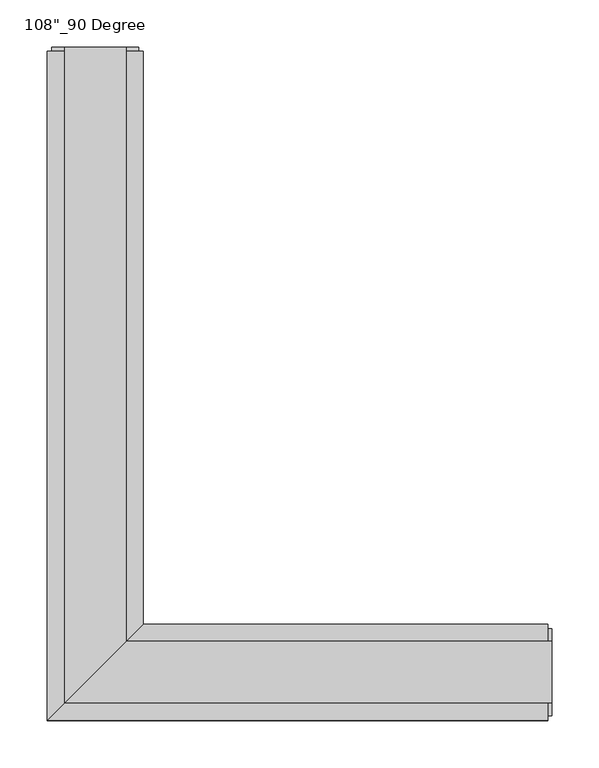
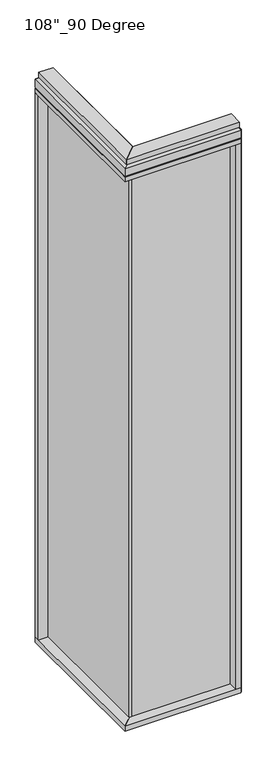
"""IFC4 building model written with IfcOpenShell, lengths in millimetres: furniture geometry."""

from ifc_helpers import new_model, si_unit, frame, origin, origin_with_axes, place, context, project, spatial, polyline, outline, extrude, faceted_brep, source, transform, mapped, element, save


def furniture_b808516e(model_context):
    return source(origin(), model_context, "Body", "SolidModel", [
        extrude(outline(polyline([(-1233.5165229, 629.7202784), (-1223.3565229, 629.7202784), (-1223.3565229, -9.5977216), (-1233.5165229, -9.5977216), (-1233.5165229, 629.7202784)])), frame((0.0, 0.0, 31.75), z_axis=(0.0, 0.0, 1.0), x_axis=(1.0, 0.0, 0.0)), (0.0, 0.0, 1.0), 2622.55),
        extrude(outline(polyline([(-1177.6365229, 651.9452784), (-1177.6365229, 46.2822784), (-1279.2365229, -55.3177216), (-1279.2365229, 651.9452784), (-1177.6365229, 651.9452784)])), frame((0.0, 0.0, 2654.3), z_axis=(0.0, 0.0, 1.0), x_axis=(1.0, 0.0, 0.0)), (0.0, 0.0, 1.0), 22.225),
        faceted_brep([(-1177.6365229, 46.2822784, 2681.478), (-1177.6365229, 46.2822784, 2717.8), (-1279.2365229, -55.3177216, 2717.8), (-1279.2365229, -55.3177216, 2681.478), (-1274.2835229, -50.3647216, 2681.478), (-1274.2835229, -50.3647216, 2676.525), (-1182.5895229, 41.3292784, 2676.525), (-1182.5895229, 41.3292784, 2681.478), (-1177.6365229, 651.9452784, 2681.478), (-1182.5895229, 651.9452784, 2681.478), (-1182.5895229, 651.9452784, 2676.525), (-1274.2835229, 651.9452784, 2676.525), (-1274.2835229, 651.9452784, 2681.478), (-1279.2365229, 651.9452784, 2681.478), (-1279.2365229, 651.9452784, 2717.8), (-1177.6365229, 651.9452784, 2717.8)], [[[0, 1, 2, 3, 4, 5, 6, 7]], [[8, 9, 10, 11, 12, 13, 14, 15]], [[8, 0, 7, 9]], [[13, 3, 2, 14]], [[14, 2, 1, 15]], [[15, 1, 0, 8]], [[9, 7, 6, 10]], [[10, 6, 5, 11]], [[11, 5, 4, 12]], [[12, 4, 3, 13]]]),
        extrude(outline(polyline([(-1195.9245229, 655.8822784), (-1195.9245229, 27.9942784), (-1260.9485229, -37.0297216), (-1260.9485229, 655.8822784), (-1195.9245229, 655.8822784)])), frame((0.0, 0.0, 2717.8), z_axis=(0.0, 0.0, 1.0), x_axis=(1.0, 0.0, 0.0)), (0.0, 0.0, 1.0), 25.4),
        extrude(outline(polyline([(-1177.6365229, 651.9452784), (-1177.6365229, 46.2822784), (-1279.2365229, -55.3177216), (-1279.2365229, 651.9452784), (-1177.6365229, 651.9452784)])), frame((0.0, 0.0, 9.525), z_axis=(0.0, 0.0, 1.0), x_axis=(1.0, 0.0, 0.0)), (0.0, 0.0, 1.0), 22.225),
        extrude(outline(polyline([(-1195.7340229, 655.8822784), (-1195.7340229, 28.1847784), (-1261.1390229, -37.2202216), (-1261.1390229, 655.8822784), (-1195.7340229, 655.8822784)])), origin_with_axes(), (0.0, 0.0, 1.0), 9.525),
        extrude(outline(polyline([(-1279.2365229, 629.7202784), (-1279.2365229, 651.9452784), (-1177.6365229, 651.9452784), (-1177.6365229, 629.7202784), (-1279.2365229, 629.7202784)])), frame((0.0, 0.0, 31.75), z_axis=(0.0, 0.0, 1.0), x_axis=(1.0, 0.0, 0.0)), (0.0, 0.0, 1.0), 2622.55),
        extrude(outline(polyline([(-1274.2835229, 655.8822784), (-1182.5895229, 655.8822784), (-1182.5895229, 651.9452784), (-1274.2835229, 651.9452784), (-1274.2835229, 655.8822784)])), frame((0.0, 0.0, 9.525), z_axis=(0.0, 0.0, 1.0), x_axis=(1.0, 0.0, 0.0)), (0.0, 0.0, 1.0), 2708.275),
        extrude(outline(polyline([(-771.9985229, -9.5977216), (-1233.5165229, -9.5977216), (-1233.5165229, 0.5622784), (-771.9985229, 0.5622784), (-771.9985229, -9.5977216)])), frame((0.0, 0.0, 31.75), z_axis=(0.0, 0.0, 1.0), x_axis=(1.0, 0.0, 0.0)), (0.0, 0.0, 1.0), 2622.55),
        extrude(outline(polyline([(-749.7735229, 46.2822784), (-749.7735229, -55.3177216), (-1279.2365229, -55.3177216), (-1177.6365229, 46.2822784), (-749.7735229, 46.2822784)])), frame((0.0, 0.0, 2654.3), z_axis=(0.0, 0.0, 1.0), x_axis=(1.0, 0.0, 0.0)), (0.0, 0.0, 1.0), 22.225),
        faceted_brep([(-1177.6365229, 46.2822784, 2681.478), (-1182.5895229, 41.3292784, 2681.478), (-1182.5895229, 41.3292784, 2676.525), (-1274.2835229, -50.3647216, 2676.525), (-1274.2835229, -50.3647216, 2681.478), (-1279.2365229, -55.3177216, 2681.478), (-1279.2365229, -55.3177216, 2717.8), (-1177.6365229, 46.2822784, 2717.8), (-749.7735229, 46.2822784, 2681.478), (-749.7735229, 46.2822784, 2717.8), (-749.7735229, -55.3177216, 2717.8), (-749.7735229, -55.3177216, 2681.478), (-749.7735229, -50.3647216, 2681.478), (-749.7735229, -50.3647216, 2676.525), (-749.7735229, 41.3292784, 2676.525), (-749.7735229, 41.3292784, 2681.478)], [[[0, 1, 2, 3, 4, 5, 6, 7]], [[8, 9, 10, 11, 12, 13, 14, 15]], [[8, 15, 1, 0]], [[11, 10, 6, 5]], [[10, 9, 7, 6]], [[9, 8, 0, 7]], [[15, 14, 2, 1]], [[14, 13, 3, 2]], [[13, 12, 4, 3]], [[12, 11, 5, 4]]]),
        extrude(outline(polyline([(-745.8365229, 27.9942784), (-745.8365229, -37.0297216), (-1260.9485229, -37.0297216), (-1195.9245229, 27.9942784), (-745.8365229, 27.9942784)])), frame((0.0, 0.0, 2717.8), z_axis=(0.0, 0.0, 1.0), x_axis=(1.0, 0.0, 0.0)), (0.0, 0.0, 1.0), 25.4),
        extrude(outline(polyline([(-749.7735229, 46.2822784), (-749.7735229, -55.3177216), (-1279.2365229, -55.3177216), (-1177.6365229, 46.2822784), (-749.7735229, 46.2822784)])), frame((0.0, 0.0, 9.525), z_axis=(0.0, 0.0, 1.0), x_axis=(1.0, 0.0, 0.0)), (0.0, 0.0, 1.0), 22.225),
        extrude(outline(polyline([(-745.8365229, 28.1847784), (-745.8365229, -37.2202216), (-1261.1390229, -37.2202216), (-1195.7340229, 28.1847784), (-745.8365229, 28.1847784)])), origin_with_axes(), (0.0, 0.0, 1.0), 9.525),
        extrude(outline(polyline([(-771.9985229, -55.3177216), (-771.9985229, 46.2822784), (-749.7735229, 46.2822784), (-749.7735229, -55.3177216), (-771.9985229, -55.3177216)])), frame((0.0, 0.0, 31.75), z_axis=(0.0, 0.0, 1.0), x_axis=(1.0, 0.0, 0.0)), (0.0, 0.0, 1.0), 2622.55),
        extrude(outline(polyline([(-745.8365229, -50.3647216), (-749.7735229, -50.3647216), (-749.7735229, 41.3292784), (-745.8365229, 41.3292784), (-745.8365229, -50.3647216)])), frame((0.0, 0.0, 9.525), z_axis=(0.0, 0.0, 1.0), x_axis=(1.0, 0.0, 0.0)), (0.0, 0.0, 1.0), 2708.275),
    ])


if __name__ == "__main__":
    model = new_model("IFC4")
    model_context = context("Model", 3, world=origin())
    ifc_project = project(units=[si_unit("LENGTHUNIT", "METRE", prefix="MILLI")], contexts=[model_context])
    site = spatial("IfcSite", under=ifc_project)
    building = spatial("IfcBuilding", under=site)
    placement = place(None, origin())
    furniture_shape = furniture_b808516e(model_context)
    element("IfcFurniture", 1, ObjectType="108\"_90 Degree", at=placement, inside=building, context=model_context, shape_type="MappedRepresentation", body=[
        mapped(furniture_shape, transform((0.0, 0.0, 0.0), x_axis=(1.0, 0.0, 0.0), y_axis=(0.0, 1.0, 0.0), z_axis=(0.0, 0.0, 1.0))),
    ])
    save(model, "model.ifc")
